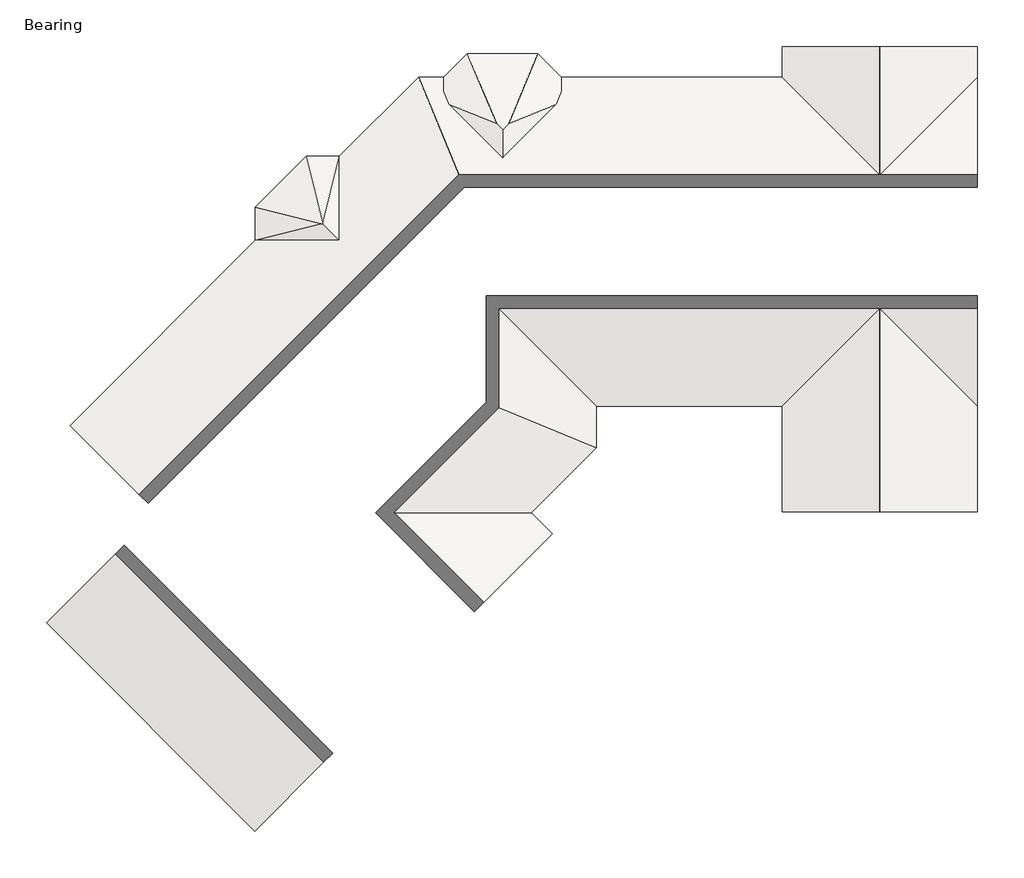
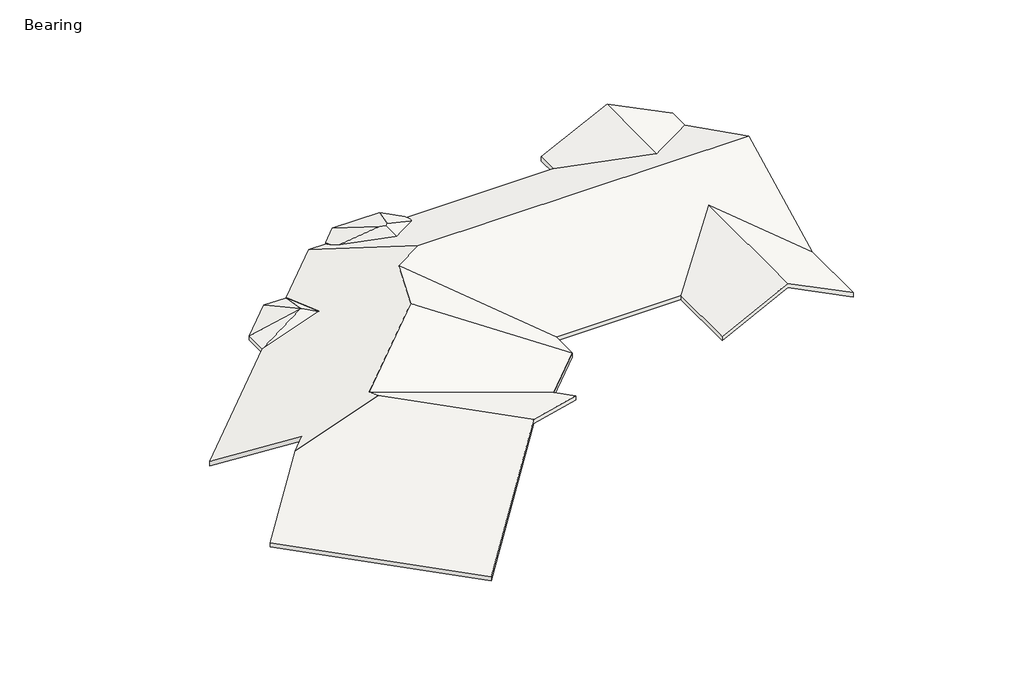
# One storey: 3 roofs.
"""IFC4 building model written with IfcOpenShell, lengths in millimetres."""

from ifc_helpers import new_model, si_unit, origin, place, context, project, spatial, faceted_brep, element, save

model = new_model("IFC4")

# Units and contexts
model_context = context("Model", 3, world=origin())
ifc_project = project(units=[si_unit("LENGTHUNIT", "METRE", prefix="MILLI")], contexts=[model_context])

# Site, building, storey
site = spatial("IfcSite", under=ifc_project)
building = spatial("IfcBuilding", under=site)
storey = spatial("IfcBuildingStorey", under=building, Name="Bearing", Elevation=2771.775)

# Roofs
placement = place(None, origin())
element("IfcRoof", 1, ObjectType="Generic - 6\"", at=placement, inside=storey, context=model_context, shape_type="Brep", body=[
    faceted_brep([(4512.5575111, 11712.8765887, 2829.9866201), (4512.5575111, 13728.3793421, 2829.9866201), (5876.4990253, 13163.4162687, 3511.9573772), (6031.6841364, 13008.2311575, 3589.5499328), (6031.6841364, 11712.8765887, 3589.5499328), (7550.8107618, 11712.8765887, 2829.9866201), (6186.8692476, 13163.4162687, 3511.9573772), (7550.8107618, 13728.3793421, 2829.9866201), (7550.8107618, 14374.9577828, 2601.3866201), (6941.2107618, 14984.5577828, 2601.3866201), (5122.1575111, 14984.5577828, 2601.3866201), (4512.5575111, 14374.9577828, 2601.3866201), (4512.5575111, 11712.8765887, 3000.375), (6031.6841364, 11712.8765887, 3759.9383127), (6031.6841364, 13008.2311575, 3759.9383127), (5876.4990253, 13163.4162687, 3682.3457571), (4512.5575111, 13728.3793421, 3000.375), (7550.8107618, 11712.8765887, 3000.375), (7550.8107618, 13728.3793421, 3000.375), (6186.8692476, 13163.4162687, 3682.3457571), (7550.8107618, 14374.9577828, 2771.775), (6941.2107618, 14984.5577828, 2771.775), (5122.1575111, 14984.5577828, 2771.775), (4512.5575111, 14374.9577828, 2771.775)], [[[0, 1, 2, 3, 4]], [[5, 4, 3, 6, 7]], [[8, 7, 6, 9]], [[9, 6, 3, 2, 10]], [[10, 2, 1, 11]], [[12, 13, 14, 15, 16]], [[17, 18, 19, 14, 13]], [[18, 20, 21, 19]], [[21, 22, 15, 14, 19]], [[22, 23, 16, 15]], [[7, 18, 17, 5]], [[9, 21, 20, 8]], [[10, 22, 21, 9]], [[11, 23, 22, 10]], [[0, 12, 16, 1]], [[16, 23, 11, 1]], [[17, 13, 12, 0, 4, 5]], [[20, 18, 7, 8]]]),
])
element("IfcRoof", 2, ObjectType="Generic - 6\"", at=placement, inside=storey, context=model_context, shape_type="Brep", body=[
    faceted_brep([(1789.1539371, 12322.4765887, 2543.175), (1368.6281153, 10654.8367971, 3281.4530327), (948.1022935, 12322.4765887, 2543.175), (1368.6281153, 10577.1544338, 3308.9178957), (1290.9457519, 10577.1544338, 3281.4530327), (-376.6940396, 10997.6802556, 2543.175), (-376.6940396, 10156.628612, 2543.175), (1799.6804091, 12322.4765887, 2709.84171), (937.5758215, 12322.4765887, 2709.84171), (1368.6281153, 10613.0929548, 3466.6000896), (-376.6940396, 11008.2067276, 2709.84171), (1332.6895943, 10577.1544338, 3466.6000896), (1368.6281153, 10577.1544338, 3479.3062756), (-376.6940396, 10146.10214, 2709.84171), (937.5758215, 12322.4765887, 2543.175), (1799.6804091, 12322.4765887, 2543.175), (-376.6940396, 11008.2067276, 2543.175), (-376.6940396, 10146.10214, 2543.175), (2214.1059604, 9731.6765887, 3479.3062756), (37.7315116, 9731.6765887, 2709.84171), (37.7315116, 9731.6765887, 2543.175), (48.2579837, 9731.6765887, 2543.175), (2214.1059604, 9731.6765887, 3308.9178957), (2214.1059604, 11897.5245654, 2543.175), (2214.1059604, 11908.0510374, 2709.84171), (2035.3827308, 12086.774267, 2709.84171), (1799.6804091, 10146.10214, 3479.3062756), (2035.3827308, 9910.3998183, 3479.3062756), (2214.1059604, 11908.0510374, 2543.175), (-140.9917179, 9910.3998183, 2709.84171)], [[[0, 1, 2]], [[2, 1, 3, 4, 5]], [[5, 4, 6]], [[7, 8, 9]], [[8, 10, 11, 12, 9]], [[10, 13, 11]], [[14, 8, 7, 15, 0, 2]], [[16, 10, 8, 14]], [[17, 13, 10, 16, 5, 6]], [[18, 19, 20, 21, 22]], [[22, 3, 1, 0, 23]], [[18, 24, 25, 7, 9, 12, 26, 27]], [[15, 7, 25, 24, 28]], [[20, 17, 6, 21]], [[22, 21, 6, 4, 3]], [[18, 27, 26, 12, 11, 13, 29, 19]], [[20, 19, 29, 13, 17]], [[5, 16, 14, 2]], [[0, 15, 28, 23]], [[24, 18, 22, 23, 28]]]),
])
element("IfcRoof", 3, ObjectType="Generic - 6\"", at=placement, inside=storey, context=model_context, shape_type="Brep", body=[
    faceted_brep([(13279.6043792, 5847.2175305, 2543.175), (15813.2543792, 8380.8675305, 3810.0), (15813.2543792, 3104.0175305, 3810.0), (13279.6043792, 3104.0175305, 2543.175), (18346.9043792, 14374.9577828, 2543.175), (15813.2543792, 11841.3077828, 3810.0), (15813.2543792, 15169.0175305, 3810.0), (18346.9043792, 15169.0175305, 2543.175), (18346.9043792, 14407.0175305, 2543.175), (18346.9043792, 10111.0876567, 4675.1100631), (5618.3144377, 10111.0876567, 4675.1100631), (3852.1616032, 14374.9577828, 2543.175), (4512.5575111, 14374.9577828, 2543.175), (6031.6841364, 12855.8311575, 3302.7383127), (7550.8107618, 14374.9577828, 2543.175), (13279.6043792, 14374.9577828, 2543.175), (13279.6043792, 15169.0175305, 2543.175), (8466.3043792, 4764.374863, 2543.175), (3437.1043792, 6847.5377109, 5057.775), (4617.1359578, 9696.3859519, 4467.7592107), (8466.3043792, 5847.2175305, 2543.175), (-333.6997546, 3076.7335771, 5057.775), (-333.6997546, 2475.056417, 5270.5), (-3539.6511898, 2475.056417, 4137.025), (-2928.9937736, 3085.7138332, 4137.025), (-5183.03806, 5339.7581196, 2543.175), (-376.6940396, 10146.10214, 2543.175), (-140.9917179, 9910.3998183, 2709.84171), (2035.3827308, 9910.3998183, 3479.3062756), (2035.3827308, 12086.774267, 2709.84171), (1799.6804091, 12322.4765887, 2543.175), (18346.9043792, 5847.2175305, 2543.175), (6778.6630933, 3076.7335771, 2543.175), (13279.6043792, 5847.2175305, 2713.5633799), (13279.6043792, 3104.0175305, 2713.5633799), (15813.2543792, 3104.0175305, 3980.3883799), (15813.2543792, 8380.8675305, 3980.3883799), (18346.9043792, 14407.0175305, 2713.5633799), (18346.9043792, 15169.0175305, 2713.5633799), (15813.2543792, 15169.0175305, 3980.3883799), (15813.2543792, 11841.3077828, 3980.3883799), (18346.9043792, 14374.9577828, 2713.5633799), (13279.6043792, 14374.9577828, 2713.5633799), (7550.8107618, 14374.9577828, 2713.5633799), (6031.6841364, 12855.8311575, 3473.1266925), (4512.5575111, 14374.9577828, 2713.5633799), (3852.1616032, 14374.9577828, 2713.5633799), (5618.3144377, 10111.0876567, 4845.498443), (18346.9043792, 10111.0876567, 4845.498443), (13279.6043792, 15169.0175305, 2713.5633799), (8466.3043792, 4764.374863, 2713.5633799), (8466.3043792, 5847.2175305, 2713.5633799), (4617.1359578, 9696.3859519, 4638.1475906), (3437.1043792, 6847.5377109, 5228.1633799), (1799.6804091, 12322.4765887, 2713.5633799), (1799.6804091, 10146.10214, 3483.0279454), (-376.6940396, 10146.10214, 2713.5633799), (-5183.03806, 5339.7581196, 2713.5633799), (-2928.9937736, 3085.7138332, 4307.4133799), (-3539.6511898, 2475.056417, 4307.4133799), (-333.6997546, 2475.056417, 5440.8883799), (-333.6997546, 3076.7335771, 5228.1633799), (18346.9043792, 5847.2175305, 2713.5633799), (6778.6630933, 3076.7335771, 2713.5633799), (1799.6804091, 12322.4765887, 2709.84171), (-376.6940396, 10146.10214, 2709.84171), (18346.9043792, 3104.0175305, 2543.175), (18346.9043792, 3104.0175305, 2713.5633799), (7317.4784605, 2537.9182098, 2543.175), (3460.4584565, -1319.1017942, 5270.5), (-396.5615475, -5176.1217982, 2543.175), (-5793.6954762, 221.0121306, 2543.175), (3460.4584565, -1319.1017942, 5440.8883799), (7317.4784605, 2537.9182098, 2713.5633799), (-5793.6954762, 221.0121306, 2713.5633799), (-396.5615475, -5176.1217982, 2713.5633799), (1799.6804091, 10146.10214, 3479.3062756)], [[[0, 1, 2, 3]], [[4, 5, 6, 7, 8]], [[5, 4, 9, 10, 11, 12, 13, 14, 15]], [[6, 5, 15, 16]], [[17, 18, 19, 20]], [[11, 10, 19, 18, 21, 22, 23, 24, 25, 26, 27, 28, 29, 30]], [[1, 0, 20, 19, 10, 9, 31]], [[18, 17, 32, 21]], [[33, 34, 35, 36]], [[37, 38, 39, 40, 41]], [[41, 40, 42, 43, 44, 45, 46, 47, 48]], [[40, 39, 49, 42]], [[50, 51, 52, 53]], [[47, 46, 54, 55, 56, 57, 58, 59, 60, 61, 53, 52]], [[33, 36, 62, 48, 47, 52, 51]], [[50, 53, 61, 63]], [[50, 63, 32, 17]], [[51, 50, 17, 20]], [[33, 51, 20, 0]], [[34, 33, 0, 3]], [[38, 37, 8, 7]], [[42, 49, 16, 15]], [[43, 42, 15, 14]], [[46, 45, 12, 11]], [[54, 46, 11, 30, 64]], [[57, 56, 65, 26, 25]], [[7, 6, 16, 49, 39, 38]], [[3, 2, 66, 67, 35, 34]], [[21, 32, 68, 69, 22]], [[22, 69, 70, 71, 23]], [[63, 61, 60, 72, 73]], [[72, 60, 59, 74, 75]], [[75, 74, 71, 70]], [[63, 73, 68, 32]], [[57, 25, 24, 58]], [[23, 71, 74, 59, 58, 24]], [[69, 68, 73, 72, 75, 70]], [[2, 1, 31, 66]], [[67, 62, 36, 35]], [[62, 67, 66, 31]], [[8, 37, 41, 48, 62, 31, 9, 4]], [[13, 12, 45, 44]], [[43, 14, 13, 44]], [[55, 54, 64, 76]], [[56, 55, 76, 65]], [[29, 64, 30]], [[65, 27, 26]], [[28, 76, 64, 29]], [[76, 28, 27, 65]]]),
])

save(model, "model.ifc")
